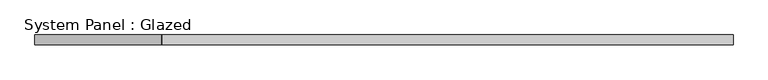
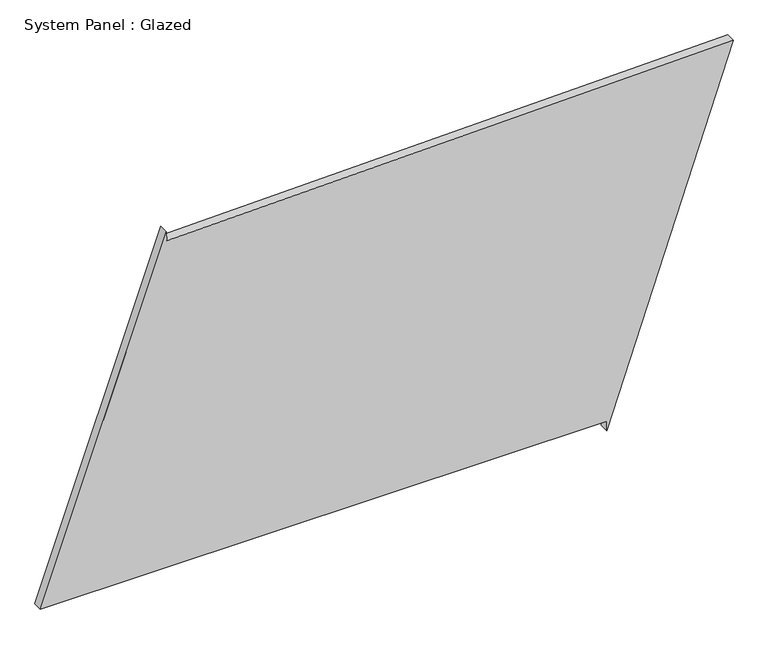
"""IFC4 building model written with IfcOpenShell, lengths in millimetres: plate geometry, System Panel : Glazed."""

from ifc_helpers import new_model, si_unit, frame, origin, place, context, project, spatial, polyline, outline, extrude, source, transform, mapped, element, save


def system_panel_glazed_572e5944(model_context):
    return source(origin(), model_context, "Body", "SweptSolid", [
        extrude(outline(polyline([(25.0, 575.0376554), (0.0, 575.0376554), (962.3926256, 905.1774371), (927.4232102, -575.3586273), (952.4162396, -575.9489484), (25.0, -905.1774371), (25.0, 575.0376554)])), frame((0.0, -49.5, 0.0), z_axis=(0.0, 1.0, 0.0), x_axis=(0.0, 0.0, 1.0)), (0.0, 0.0, 1.0), 25.0),
    ])


if __name__ == "__main__":
    model = new_model("IFC4")
    model_context = context("Model", 3, world=origin())
    ifc_project = project(units=[si_unit("LENGTHUNIT", "METRE", prefix="MILLI")], contexts=[model_context])
    site = spatial("IfcSite", under=ifc_project)
    building = spatial("IfcBuilding", under=site)
    placement = place(None, origin())
    system_panel_glazed_shape = system_panel_glazed_572e5944(model_context)
    element("IfcPlate", 1, ObjectType="System Panel : Glazed", at=placement, inside=building, context=model_context, shape_type="MappedRepresentation", body=[
        mapped(system_panel_glazed_shape, transform((0.0, 0.0, 0.0), x_axis=(1.0, 0.0, 0.0), y_axis=(0.0, 1.0, 0.0), z_axis=(0.0, 0.0, 1.0))),
    ])
    save(model, "model.ifc")
